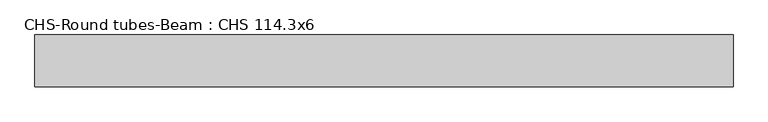
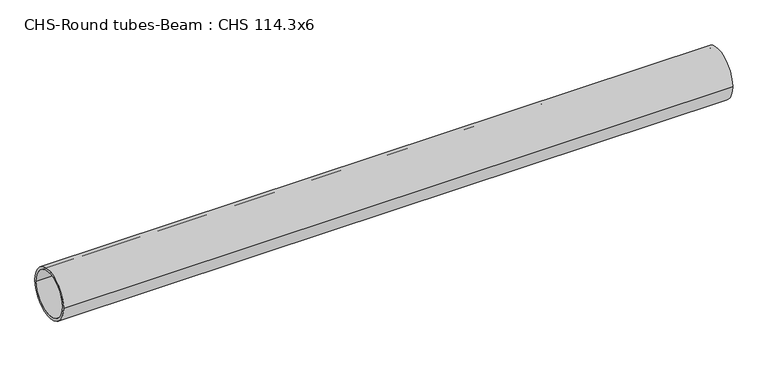
"""IFC4 building model written with IfcOpenShell, lengths in millimetres: beam geometry, CHS-Round tubes-Beam : CHS 114.3x6."""

from ifc_helpers import new_model, si_unit, point, frame, origin, origin_2d, place, context, project, spatial, circle_curve, trimmed, segment, composite_curve, outline, extrude, source, transform, mapped, element, save


def chs_round_tubes_beam_chs_114_3x6_1e451af3(model_context):
    return source(origin(), model_context, "Body", "SweptSolid", [
        extrude(outline(composite_curve([segment(trimmed(circle_curve(origin_2d(), 57.15), [point((57.15, 0.0))], [point((-57.15, 0.0))], False, "CARTESIAN"), True, "CONTINUOUS"), segment(trimmed(circle_curve(origin_2d(), 57.15), [point((-57.15, 0.0))], [point((57.15, 0.0))], False, "CARTESIAN"), True, "CONTINUOUS")], self_intersect=False), holes=[composite_curve([segment(trimmed(circle_curve(origin_2d(), 51.15), [point((51.15, 0.0))], [point((-51.15, 0.0))], True, "CARTESIAN"), True, "CONTINUOUS"), segment(trimmed(circle_curve(origin_2d(), 51.15), [point((-51.15, 0.0))], [point((51.15, 0.0))], True, "CARTESIAN"), True, "CONTINUOUS")], self_intersect=False)]), frame((-761.6349755, 0.0, 0.0), z_axis=(1.0, 0.0, 0.0), x_axis=(0.0, 1.0, 0.0)), (0.0, 0.0, 1.0), 1540.6223632),
    ])


if __name__ == "__main__":
    model = new_model("IFC4")
    model_context = context("Model", 3, world=origin())
    ifc_project = project(units=[si_unit("LENGTHUNIT", "METRE", prefix="MILLI")], contexts=[model_context])
    site = spatial("IfcSite", under=ifc_project)
    building = spatial("IfcBuilding", under=site)
    placement = place(None, origin())
    chs_round_tubes_beam_chs_114_3x6_shape = chs_round_tubes_beam_chs_114_3x6_1e451af3(model_context)
    element("IfcBeam", 1, ObjectType="CHS-Round tubes-Beam : CHS 114.3x6", at=placement, inside=building, context=model_context, shape_type="MappedRepresentation", body=[
        mapped(chs_round_tubes_beam_chs_114_3x6_shape, transform((0.0, 0.0, 0.0), x_axis=(1.0, 0.0, 0.0), y_axis=(0.0, 1.0, 0.0), z_axis=(0.0, 0.0, 1.0))),
    ])
    save(model, "model.ifc")
